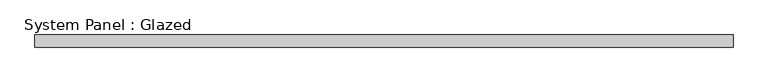
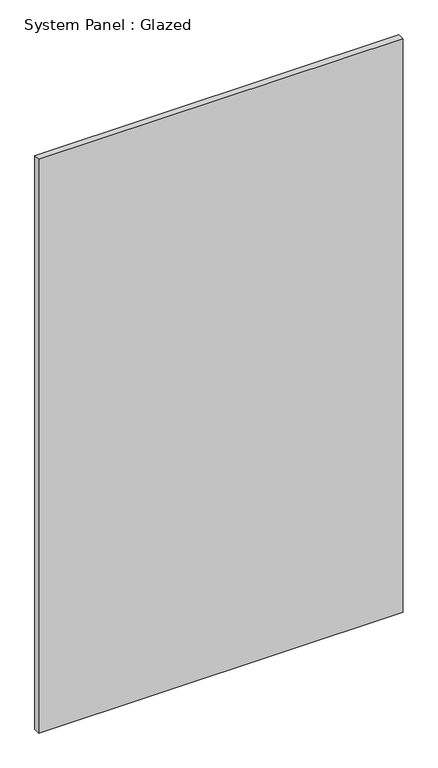
"""IFC4 building model written with IfcOpenShell, lengths in millimetres: plate geometry, System Panel : Glazed."""

import ifcopenshell
import ifcopenshell.guid

model = None  # the IFC model being written
_history = None  # IfcOwnerHistory: only IFC2X3 demands one
_inside = {}  # id of a spatial element -> (the spatial element, [elements in it])
_under = {}  # id of a project, library or spatial element -> (it, [spatial elements below it])
_declared = {}  # id of a project -> (the project, [libraries it declares])
_typed = {}  # id of a type object -> (the type object, [elements of that type])
_made_of = {}  # id of a material, layer set ... -> (it, [elements and type objects made of it])


def new_model(schema):
    """Start an empty IFC model of exactly this schema.

    Asked for "IFC4X3", IfcOpenShell would pick the latest addendum, in which some entities
    have other attributes; the version numbers below select the first issue.
    IFC2X3 requires an IfcOwnerHistory on every rooted entity: one is made here for all.
    """
    global model, _history
    if schema == "IFC4X3":
        model = ifcopenshell.file(schema_version=(4, 3, 0, 0))
    else:
        model = ifcopenshell.file(schema=schema)
    _inside.clear()
    _under.clear()
    _declared.clear()
    _typed.clear()
    _made_of.clear()
    _history = None
    if model.schema == "IFC2X3":
        org = make("IfcOrganization", Name="unknown")
        user = make(
            "IfcPersonAndOrganization",
            ThePerson=make("IfcPerson", FamilyName="unknown"),
            TheOrganization=org,
        )
        app = make(
            "IfcApplication",
            ApplicationDeveloper=org,
            Version="unknown",
            ApplicationFullName="unknown",
            ApplicationIdentifier="unknown",
        )
        _history = make(
            "IfcOwnerHistory",
            OwningUser=user,
            OwningApplication=app,
            ChangeAction="ADDED",
            CreationDate=0,
        )
    return model


def make(cls, **values):
    """One entity of the class cls with the attributes given. An attribute that is None is left unset."""
    return model.create_entity(
        cls, **{name: value for name, value in values.items() if value is not None}
    )


def rooted(cls, **values):
    """An entity with a GlobalId (a new one), such as an element, a storey or a relation."""
    return make(cls, GlobalId=ifcopenshell.guid.new(), OwnerHistory=_history, **values)


def si_unit(unit_type, name, prefix=None):
    """IfcSIUnit, for example si_unit("LENGTHUNIT", "METRE", prefix="MILLI")."""
    return make("IfcSIUnit", UnitType=unit_type, Prefix=prefix, Name=name)


def assignment(units):
    """IfcUnitAssignment: the units of a project."""
    return None if units is None else make("IfcUnitAssignment", Units=units)


def point(xyz):
    """IfcCartesianPoint."""
    return None if xyz is None else make("IfcCartesianPoint", Coordinates=xyz)


def direction(xyz):
    """IfcDirection."""
    return None if xyz is None else make("IfcDirection", DirectionRatios=xyz)


def frame(location, z_axis=None, x_axis=None):
    """IfcAxis2Placement3D, a coordinate frame: its origin and axes. An axis left out is left unset."""
    return make(
        "IfcAxis2Placement3D",
        Location=point(location),
        Axis=direction(z_axis),
        RefDirection=direction(x_axis),
    )


def origin():
    """The frame at (0, 0, 0) with its axes left unset."""
    return frame((0.0, 0.0, 0.0))


def origin_with_axes():
    """The frame at (0, 0, 0) with the z axis (0, 0, 1) and the x axis (1, 0, 0) written out."""
    return frame((0.0, 0.0, 0.0), z_axis=(0.0, 0.0, 1.0), x_axis=(1.0, 0.0, 0.0))


def place(relative_to, where):
    """IfcLocalPlacement: puts the frame where relative to a parent placement (None: the world)."""
    return make(
        "IfcLocalPlacement", PlacementRelTo=relative_to, RelativePlacement=where
    )


def context(
    kind, dimensions, precision=None, world=None, true_north=None, identifier=None
):
    """IfcGeometricRepresentationContext, for example the 3D "Model" context."""
    return make(
        "IfcGeometricRepresentationContext",
        ContextIdentifier=identifier,
        ContextType=kind,
        CoordinateSpaceDimension=dimensions,
        Precision=precision,
        WorldCoordinateSystem=world,
        TrueNorth=true_north,
    )


def project(units=None, contexts=None):
    """IfcProject with its units and contexts."""
    return rooted(
        "IfcProject",
        Name="project",
        RepresentationContexts=contexts,
        UnitsInContext=assignment(units),
    )


def spatial(cls, under=None, at=None, **own):
    """A site, building, storey or space (cls), placed at a placement, below another one or the project."""
    s = rooted(cls, ObjectPlacement=at, **own)
    if under is not None:
        _under.setdefault(under.id(), (under, []))[1].append(s)
    return s


def polyline(points):
    """IfcPolyline through the points."""
    return make("IfcPolyline", Points=[point(p) for p in points])


def outline(outer, holes=None, kind="AREA"):
    """IfcArbitraryClosedProfileDef: a profile drawn as a closed curve; with holes, ...WithVoids."""
    if holes is None:
        return make("IfcArbitraryClosedProfileDef", ProfileType=kind, OuterCurve=outer)
    return make(
        "IfcArbitraryProfileDefWithVoids",
        ProfileType=kind,
        OuterCurve=outer,
        InnerCurves=holes,
    )


def extrude(swept, where, along, depth):
    """IfcExtrudedAreaSolid: the profile swept, set in the frame where, extruded along a direction by depth."""
    return make(
        "IfcExtrudedAreaSolid",
        SweptArea=swept,
        Position=where,
        ExtrudedDirection=direction(along),
        Depth=depth,
    )


def shape(context_of_items, identifier, shape_type, items):
    """IfcShapeRepresentation: the items that make up one representation, for example the "Body"."""
    return make(
        "IfcShapeRepresentation",
        ContextOfItems=context_of_items,
        RepresentationIdentifier=identifier,
        RepresentationType=shape_type,
        Items=items,
    )


def source(mapping_origin, context_of_items, identifier, shape_type, items):
    """IfcRepresentationMap: a shape defined once, which mapped items show again and again."""
    return make(
        "IfcRepresentationMap",
        MappingOrigin=mapping_origin,
        MappedRepresentation=shape(context_of_items, identifier, shape_type, items),
    )


def transform(
    local_origin,
    x_axis=None,
    y_axis=None,
    z_axis=None,
    scale=None,
    scale2=None,
    scale3=None,
    uniform=True,
):
    """IfcCartesianTransformationOperator3D, or its non-uniform kind. x_axis, y_axis, z_axis: its Axis1, 2, 3."""
    if uniform:
        return make(
            "IfcCartesianTransformationOperator3D",
            Axis1=direction(x_axis),
            Axis2=direction(y_axis),
            LocalOrigin=point(local_origin),
            Scale=scale,
            Axis3=direction(z_axis),
        )
    return make(
        "IfcCartesianTransformationOperator3DnonUniform",
        Axis1=direction(x_axis),
        Axis2=direction(y_axis),
        LocalOrigin=point(local_origin),
        Scale=scale,
        Axis3=direction(z_axis),
        Scale2=scale2,
        Scale3=scale3,
    )


def mapped(mapping_source, mapping_target):
    """IfcMappedItem: shows the shape of a source again, moved by a transform."""
    return make(
        "IfcMappedItem", MappingSource=mapping_source, MappingTarget=mapping_target
    )


def made_of(thing, what):
    """Note that an element or type object is made of a material, layer set ...; save() writes the relation."""
    if what is not None:
        _made_of.setdefault(what.id(), (what, []))[1].append(thing)
    return thing


def element(
    cls,
    number,
    at=None,
    inside=None,
    cuts=None,
    type_object=None,
    material=None,
    context=None,
    identifier="Body",
    shape_type=None,
    held_by="IfcProductDefinitionShape",
    body=None,
    shapes=None,
    **own,
):
    """One element of the class cls, such as IfcWall. Its Tag is "e" and its number.

    at: its placement. inside: the storey or other place that contains it. cuts: it is an
    opening in that element (IfcRelVoidsElement). A single representation is given by context,
    identifier, shape_type and body (its items); several are given by shapes. held_by: the class
    of the entity that holds the representations. save() writes the other relations.
    """
    e = rooted(cls, Tag="e%d" % number, ObjectPlacement=at, **own)
    if body is not None:
        shapes = [shape(context, identifier, shape_type, body)]
    if shapes is not None:
        e.Representation = make(held_by, Representations=shapes)
    if inside is not None:
        _inside.setdefault(inside.id(), (inside, []))[1].append(e)
    if cuts is not None:
        rooted(
            "IfcRelVoidsElement", RelatingBuildingElement=cuts, RelatedOpeningElement=e
        )
    if type_object is not None:
        _typed.setdefault(type_object.id(), (type_object, []))[1].append(e)
    return made_of(e, material)


def aggregate(whole, parts):
    """IfcRelAggregates: a whole, such as a stair, and the parts it consists of."""
    return rooted("IfcRelAggregates", RelatingObject=whole, RelatedObjects=parts)


def save(model, path):
    """Write the relations noted so far, then the file.

    IfcRelAggregates (storeys below a building ...), IfcRelContainedInSpatialStructure (elements
    in a storey), IfcRelDefinesByType, IfcRelAssociatesMaterial and IfcRelDeclares: one each for
    every whole, place, type object, material and project.
    """
    for whole, parts in _under.values():
        aggregate(whole, parts)
    for where, things in _inside.values():
        rooted(
            "IfcRelContainedInSpatialStructure",
            RelatedElements=things,
            RelatingStructure=where,
        )
    for kind, things in _typed.values():
        rooted("IfcRelDefinesByType", RelatedObjects=things, RelatingType=kind)
    for what, things in _made_of.values():
        rooted("IfcRelAssociatesMaterial", RelatedObjects=things, RelatingMaterial=what)
    for by, libraries in _declared.values():
        rooted("IfcRelDeclares", RelatingContext=by, RelatedDefinitions=libraries)
    model.write(path)


def system_panel_glazed_b2d71baf(model_context):
    return source(origin(), model_context, "Body", "SweptSolid", [
        extrude(outline(polyline([(698.6897981, 24.5), (-698.6897981, 24.5), (-698.6897981, 49.5), (698.6897981, 49.5), (698.6897981, 24.5)])), origin_with_axes(), (0.0, 0.0, 1.0), 2325.0),
    ])


if __name__ == "__main__":
    model = new_model("IFC4")
    model_context = context("Model", 3, world=origin())
    ifc_project = project(units=[si_unit("LENGTHUNIT", "METRE", prefix="MILLI")], contexts=[model_context])
    site = spatial("IfcSite", under=ifc_project)
    building = spatial("IfcBuilding", under=site)
    placement = place(None, origin())
    system_panel_glazed_shape = system_panel_glazed_b2d71baf(model_context)
    element("IfcPlate", 1, ObjectType="System Panel : Glazed", at=placement, inside=building, context=model_context, shape_type="MappedRepresentation", body=[
        mapped(system_panel_glazed_shape, transform((0.0, 0.0, 0.0), x_axis=(1.0, 0.0, 0.0), y_axis=(0.0, 1.0, 0.0), z_axis=(0.0, 0.0, 1.0))),
    ])
    save(model, "model.ifc")
